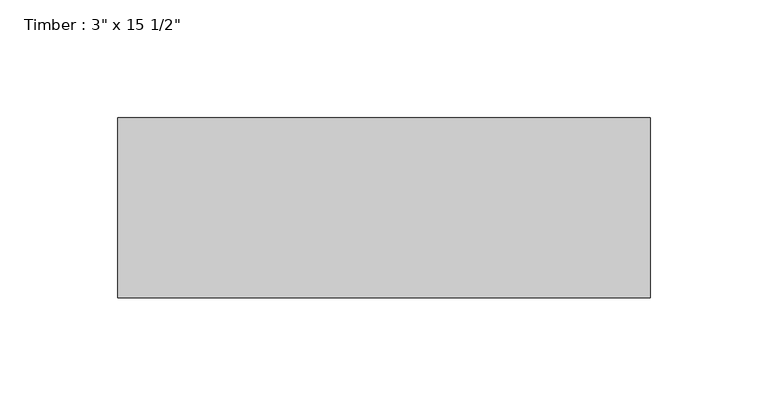
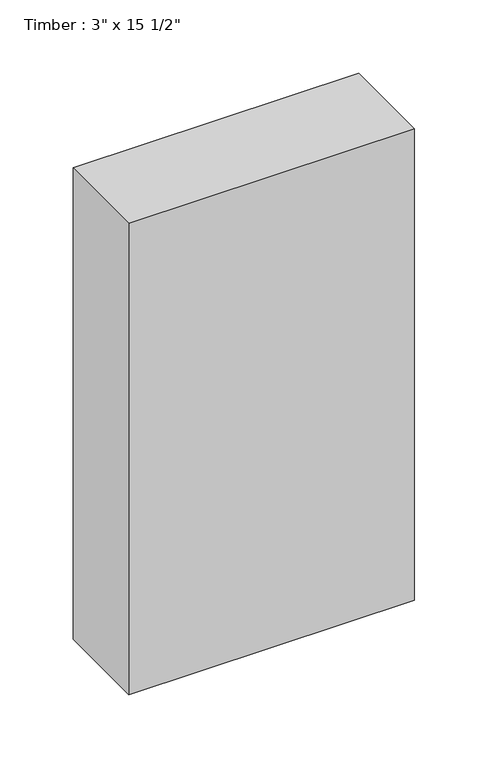
"""IFC4 building model written with IfcOpenShell, lengths in millimetres: beam geometry."""

from ifc_helpers import new_model, si_unit, frame, origin, place, context, project, spatial, polyline, outline, extrude, source, transform, mapped, element, save


def beam_264944b5(model_context):
    return source(origin(), model_context, "Body", "SweptSolid", [
        extrude(outline(polyline([(112.7125, 38.1), (112.7125, -38.1), (-112.7125, -38.1), (-112.7125, 38.1), (112.7125, 38.1)])), frame((0.0, 0.0, -196.85), z_axis=(0.0, 0.0, 1.0), x_axis=(1.0, 0.0, 0.0)), (0.0, 0.0, 1.0), 393.7),
    ])


if __name__ == "__main__":
    model = new_model("IFC4")
    model_context = context("Model", 3, world=origin())
    ifc_project = project(units=[si_unit("LENGTHUNIT", "METRE", prefix="MILLI")], contexts=[model_context])
    site = spatial("IfcSite", under=ifc_project)
    building = spatial("IfcBuilding", under=site)
    placement = place(None, origin())
    beam_shape = beam_264944b5(model_context)
    element("IfcBeam", 1, ObjectType="Timber : 3\" x 15 1/2\"", at=placement, inside=building, context=model_context, shape_type="MappedRepresentation", body=[
        mapped(beam_shape, transform((0.0, 0.0, 0.0), x_axis=(1.0, 0.0, 0.0), y_axis=(0.0, 1.0, 0.0), z_axis=(0.0, 0.0, 1.0))),
    ])
    save(model, "model.ifc")
